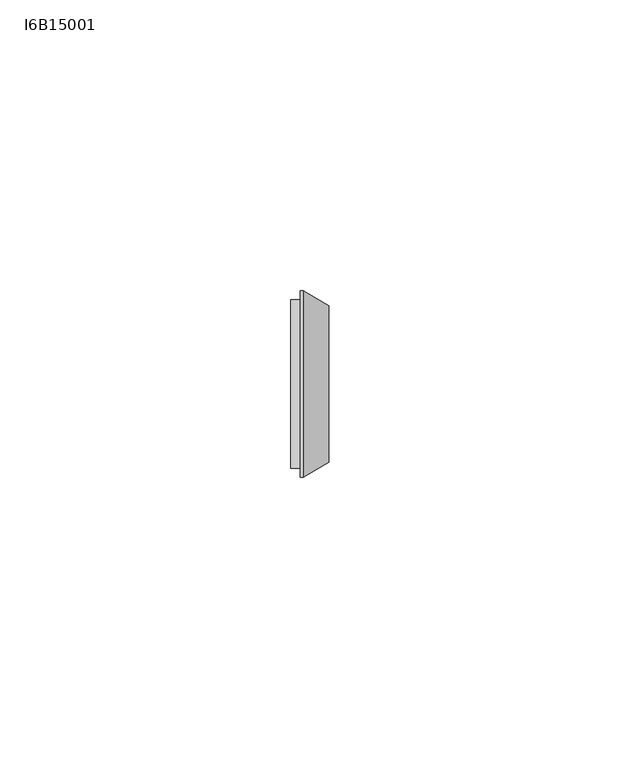
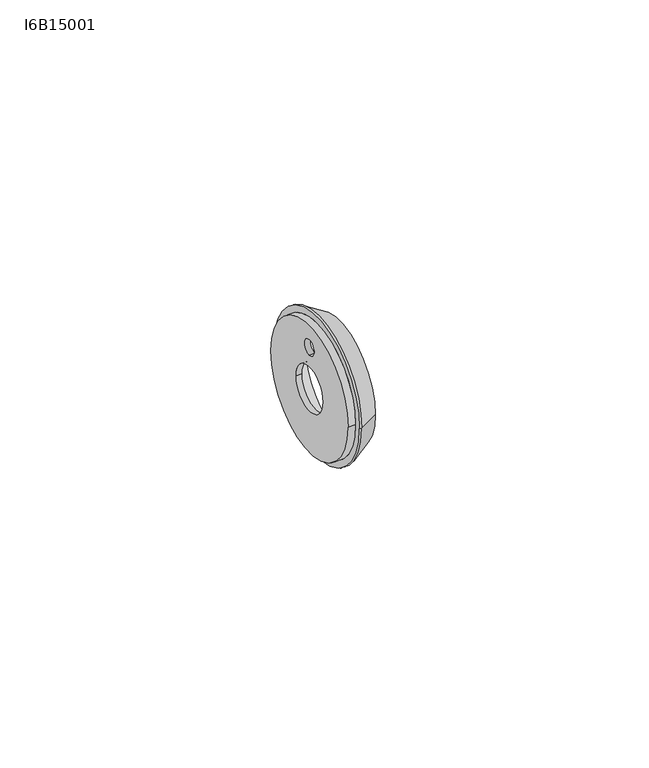
"""IFC4 building model written with IfcOpenShell, lengths in millimetres: proxy geometry, I6B15001."""

from ifc_helpers import new_model, si_unit, frame, origin, place, context, project, spatial, polyline, circle_curve, source, transform, mapped, element, save
from ifc_brep_helpers import plane_surface, cylinder_surface, revolved_surface, advanced_brep


def i6b15001_38ddbc4c(model_context):
    return source(origin(), model_context, "Body", "AdvancedBrep", [
        advanced_brep(
        [(0.0, 5.0, 0.0), (1.2, 5.0, 0.0), (1.2, -5.0, 0.0), (0.0, -5.0, 0.0), (1.2, 12.9, 0.0), (6.5, 12.9, 0.0), (6.5, -12.9, 0.0), (1.2, -12.9, 0.0), (2.1, 16.0, 0.0), (6.5, 13.4596588, 0.0), (6.5, -13.4596588, 0.0), (2.1, -16.0, 0.0), (1.6, 16.0, 0.0), (1.6, -16.0, 0.0), (0.0, 14.5, 0.0), (1.6, 14.5, 0.0), (1.6, -14.5, 0.0), (0.0, -14.5, 0.0), (0.0, 0.0, 11.25), (1.2, 0.0, 11.25), (1.2, 0.0, 7.75), (0.0, 0.0, 7.75)],
        [
            (0, 1),
            (1, 2, circle_curve(frame((1.2, 0.0, 0.0), z_axis=(1.0, 0.0, 0.0), x_axis=(0.0, 1.0, 0.0)), 5.0)),
            (2, 3),
            (3, 0, circle_curve(frame((0.0, 0.0, 0.0), z_axis=(-1.0, 0.0, 0.0), x_axis=(0.0, 1.0, 0.0)), 5.0)),
            (4, 5),
            (5, 6, circle_curve(frame((6.5, 0.0, 0.0), z_axis=(1.0, 0.0, 0.0), x_axis=(0.0, 1.0, 0.0)), 12.9)),
            (6, 7),
            (7, 4, circle_curve(frame((1.2, 0.0, 0.0), z_axis=(-1.0, 0.0, 0.0), x_axis=(0.0, 1.0, 0.0)), 12.9)),
            (8, 9),
            (9, 10, circle_curve(frame((6.5, 0.0, 0.0), z_axis=(-1.0, 0.0, 0.0), x_axis=(0.0, -1.0, 0.0)), 13.4596588)),
            (10, 11),
            (11, 8, circle_curve(frame((2.1, 0.0, 0.0), z_axis=(1.0, 0.0, 0.0), x_axis=(0.0, -1.0, 0.0)), 16.0)),
            (12, 8),
            (11, 13),
            (13, 12, circle_curve(frame((1.6, 0.0, 0.0), z_axis=(1.0, 0.0, 0.0), x_axis=(0.0, 1.0, 0.0)), 16.0)),
            (14, 15),
            (15, 16, circle_curve(frame((1.6, 0.0, 0.0), z_axis=(-1.0, 0.0, 0.0), x_axis=(0.0, 1.0, 0.0)), 14.5)),
            (16, 17),
            (17, 14, circle_curve(frame((0.0, 0.0, 0.0), z_axis=(1.0, 0.0, 0.0), x_axis=(0.0, 1.0, 0.0)), 14.5)),
            (18, 19),
            (19, 20, circle_curve(frame((1.2, 0.0, 9.5), z_axis=(1.0, 0.0, 0.0), x_axis=(0.0, 0.0, 1.0)), 1.75)),
            (20, 21),
            (21, 18, circle_curve(frame((0.0, 0.0, 9.5), z_axis=(-1.0, 0.0, 0.0), x_axis=(0.0, 0.0, 1.0)), 1.75)),
            (18, 21, circle_curve(frame((0.0, 0.0, 9.5), z_axis=(-1.0, 0.0, 0.0), x_axis=(0.0, 0.0, 1.0)), 1.75)),
            (20, 19, circle_curve(frame((1.2, 0.0, 9.5), z_axis=(1.0, 0.0, 0.0), x_axis=(0.0, 0.0, 1.0)), 1.75)),
            (17, 14, circle_curve(frame((0.0, 0.0, 0.0), z_axis=(-1.0, 0.0, 0.0), x_axis=(0.0, 1.0, 0.0)), 14.5)),
            (3, 0, circle_curve(frame((0.0, 0.0, 0.0), z_axis=(1.0, 0.0, 0.0), x_axis=(0.0, 1.0, 0.0)), 5.0)),
            (16, 15, circle_curve(frame((1.6, 0.0, 0.0), z_axis=(-1.0, 0.0, 0.0), x_axis=(0.0, 1.0, 0.0)), 14.5)),
            (13, 12, circle_curve(frame((1.6, 0.0, 0.0), z_axis=(-1.0, 0.0, 0.0), x_axis=(0.0, 1.0, 0.0)), 16.0)),
            (11, 8, circle_curve(frame((2.1, 0.0, 0.0), z_axis=(-1.0, 0.0, 0.0), x_axis=(0.0, 1.0, 0.0)), 16.0)),
            (10, 9, circle_curve(frame((6.5, 0.0, 0.0), z_axis=(-1.0, 0.0, 0.0), x_axis=(0.0, 1.0, 0.0)), 13.4596588)),
            (5, 6, circle_curve(frame((6.5, 0.0, 0.0), z_axis=(-1.0, 0.0, 0.0), x_axis=(0.0, 1.0, 0.0)), 12.9)),
            (4, 7, circle_curve(frame((1.2, 0.0, 0.0), z_axis=(-1.0, 0.0, 0.0), x_axis=(0.0, 1.0, 0.0)), 12.9)),
            (1, 2, circle_curve(frame((1.2, 0.0, 0.0), z_axis=(-1.0, 0.0, 0.0), x_axis=(0.0, 1.0, 0.0)), 5.0)),
        ],
        [
            revolved_surface(polyline([(1.2, 5.0, 0.0), (0.0, 5.0, 0.0)]), (0.6, 0.0, 0.0), (1.0, 0.0, 0.0)),
            revolved_surface(polyline([(6.5, 12.9, 0.0), (1.1999999999999997, 12.9, 0.0)]), (3.85, 0.0, 0.0), (1.0, 0.0, 0.0)),
            revolved_surface(polyline([(6.5, 13.459658813631295, 0.0), (2.1000000000000014, 16.0, 0.0)]), (29.8128129, 0.0, 0.0), (-1.0, 0.0, 0.0)),
            cylinder_surface(frame((1.85, 0.0, 0.0), z_axis=(1.0, 0.0, 0.0), x_axis=(0.0, 1.0, 0.0)), 16.0),
            cylinder_surface(frame((0.8, 0.0, 0.0), z_axis=(1.0, 0.0, 0.0), x_axis=(0.0, 1.0, 0.0)), 14.5),
            revolved_surface(polyline([(0.0, 0.0, 11.25), (1.2, 0.0, 11.25)]), (1.2, 0.0, 9.5), (-1.0, 0.0, 0.0)),
            plane_surface(frame((0.0, 14.5, 0.0), z_axis=(-1.0, 0.0, 0.0), x_axis=(0.0, 0.0, 1.0))),
            plane_surface(frame((1.6, 16.0, 0.0), z_axis=(-1.0, 0.0, 0.0), x_axis=(0.0, 0.0, 1.0))),
            plane_surface(frame((6.5, 12.9, 0.0), z_axis=(1.0, 0.0, 0.0), x_axis=(0.0, 0.0, -1.0))),
            plane_surface(frame((1.2, 5.0, 0.0), z_axis=(1.0, 0.0, 0.0), x_axis=(0.0, 0.0, -1.0))),
        ],
        [
            (0, [[1, 2, 3, 4]]),
            (1, [[5, 6, 7, 8]]),
            (2, [[9, 10, 11, 12]]),
            (3, [[13, -12, 14, 15]]),
            (4, [[16, 17, 18, 19]]),
            (5, [[20, 21, 22, 23]]),
            (5, [[-20, 24, -22, 25]]),
            (6, [[26, -19], [-4, 27], [-24, -23]]),
            (4, [[-16, -26, -18, 28]]),
            (7, [[29, -15], [-28, -17]]),
            (3, [[-13, -29, -14, 30]]),
            (2, [[-9, -30, -11, 31]]),
            (8, [[-31, -10], [-6, 32]]),
            (1, [[-5, 33, -7, -32]]),
            (9, [[-8, -33], [-2, 34], [-21, -25]]),
            (0, [[-1, -27, -3, -34]]),
        ],
    ),
    ])


if __name__ == "__main__":
    model = new_model("IFC4")
    model_context = context("Model", 3, world=origin())
    ifc_project = project(units=[si_unit("LENGTHUNIT", "METRE", prefix="MILLI")], contexts=[model_context])
    site = spatial("IfcSite", under=ifc_project)
    building = spatial("IfcBuilding", under=site)
    placement = place(None, origin())
    i6b15001_shape = i6b15001_38ddbc4c(model_context)
    element("IfcBuildingElementProxy", 1, Name="I6B15001", ObjectType="I6B15001", at=placement, inside=building, context=model_context, shape_type="MappedRepresentation", body=[
        mapped(i6b15001_shape, transform((0.0, 0.0, 0.0), x_axis=(1.0, 0.0, 0.0), y_axis=(0.0, 1.0, 0.0), z_axis=(0.0, 0.0, 1.0))),
    ])
    save(model, "model.ifc")
